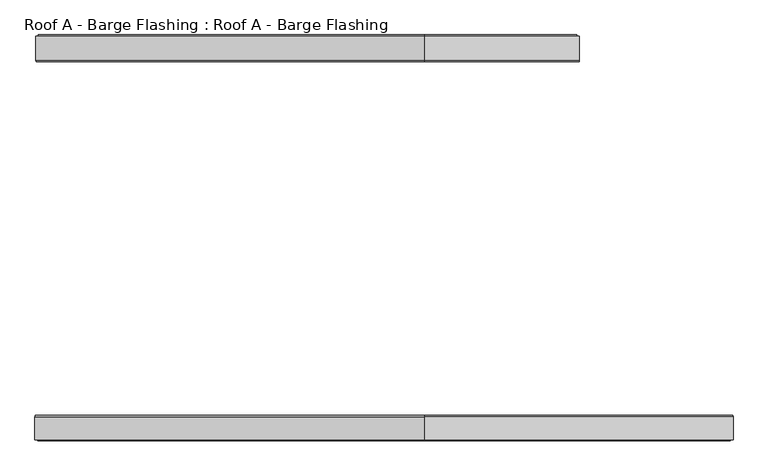
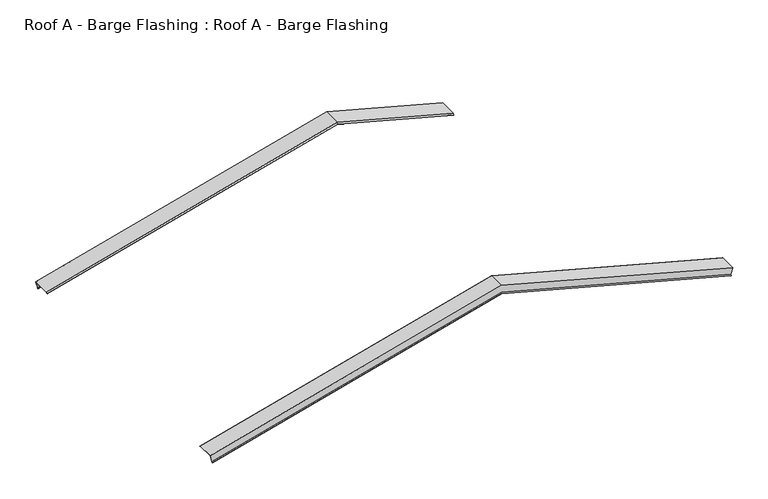
"""IFC4 building model written with IfcOpenShell, lengths in millimetres: proxy geometry, Roof A - Barge Flashing : Roof A - Barge Flashing."""

from ifc_helpers import new_model, si_unit, origin, place, context, project, spatial, faceted_brep, source, transform, mapped, element, save


def roof_a_barge_flashing_roof_a_barge_flashing_06b95c33(model_context):
    return source(origin(), model_context, "Body", "Brep", [
        faceted_brep([(5490.8450047, 4704.9120222, 5751.4040697), (5490.8450047, 5012.8954809, 5751.4040697), (5460.2618558, 5012.8954809, 5637.2662041), (5456.7088081, 5026.623403, 5624.0060497), (5454.1466302, 5016.7239081, 5614.4438718), (5453.9636175, 5017.4310148, 5613.7608591), (5456.7088081, 5028.0376166, 5624.0060497), (5460.3690621, 5013.8954809, 5637.6663037), (5491.1038237, 5013.8954809, 5752.3699956), (5491.1038237, 4704.4978087, 5752.3699956), (5486.0709744, 4685.0523722, 5733.5871463), (5485.8879617, 4685.7594789, 5732.9041336), (3500.0, 4685.7594789, 6265.0212092), (3500.0, 4704.9120222, 6284.849381), (3500.0, 4685.0523722, 6265.75326), (3500.0, 4704.4978087, 6285.8846572), (3500.0, 5013.8954809, 6285.8846572), (3500.0, 5013.8954809, 6162.9456108), (-1449.9094945, 5013.8954809, 4836.6213591), (-1480.6442561, 5013.8954809, 4951.325051), (3500.0, 5028.0376166, 6148.3045946), (3500.0, 5017.4310148, 6137.3238325), (3500.0, 5016.7239081, 6138.0558833), (3500.0, 5026.623403, 6148.3045946), (3500.0, 5012.8954809, 6162.5167853), (3500.0, 5012.8954809, 6284.849381), (-1480.385437, 5012.8954809, 4950.3591251), (-1449.8022881, 5012.8954809, 4836.2212595), (-1480.385437, 4704.9120222, 4950.3591251), (-1475.4283941, 4685.7594789, 4931.859189), (-1475.6114068, 4685.0523722, 4932.5422017), (-1480.6442561, 4704.4978087, 4951.325051), (-1446.2492404, 5028.0376166, 4822.9611051), (-1443.5040499, 5017.4310148, 4812.7159145), (-1443.6870626, 5016.7239081, 4813.3989272), (-1446.2492404, 5026.623403, 4822.9611051)], [[[0, 1, 2, 3, 4, 5, 6, 7, 8, 9, 10, 11]], [[0, 11, 12, 13]], [[11, 10, 14, 12]], [[10, 9, 15, 14]], [[9, 8, 16, 15]], [[8, 7, 17, 18, 19, 16]], [[7, 6, 20, 17]], [[6, 5, 21, 20]], [[5, 4, 22, 21]], [[4, 3, 23, 22]], [[3, 2, 24, 23]], [[2, 1, 25, 26, 27, 24]], [[1, 0, 13, 25]], [[28, 29, 30, 31, 19, 18, 32, 33, 34, 35, 27, 26]], [[12, 14, 30, 29]], [[15, 16, 19, 31]], [[17, 20, 32, 18]], [[20, 21, 33, 32]], [[21, 22, 34, 33]], [[22, 23, 35, 34]], [[23, 24, 27, 35]], [[25, 13, 28, 26]], [[13, 12, 29, 28]], [[14, 15, 31, 30]]]),
        faceted_brep([(7461.3336903, 122.3456317, 5223.4132177), (7456.3766473, 141.4981749, 5204.9132816), (7456.55966, 142.2052817, 5205.5962943), (7461.5925093, 122.7598452, 5224.3791436), (7461.5925093, -167.8878271, 5224.3791436), (7430.8577477, -167.8878271, 5109.6754517), (7427.1974937, -182.0299627, 5096.0151976), (7424.4523032, -171.423361, 5085.7700071), (7424.6353159, -170.7162542, 5086.4530198), (7427.1974937, -180.6157491, 5096.0151976), (7430.7505414, -166.8878271, 5109.2753521), (7461.3336903, -166.8878271, 5223.4132177), (3500.0, 122.3456317, 6284.849381), (3500.0, 141.4981749, 6265.0212092), (3500.0, 142.2052817, 6265.75326), (3500.0, 122.7598452, 6285.8846572), (3500.0, -167.8878271, 6285.8846572), (-1490.3035143, -167.8878271, 4948.7368605), (-1459.5687527, -167.8878271, 4834.0331687), (3500.0, -167.8878271, 6162.9456108), (3500.0, -182.0299627, 6148.3045946), (3500.0, -171.423361, 6137.3238325), (3500.0, -170.7162542, 6138.0558833), (3500.0, -180.6157491, 6148.3045946), (3500.0, -166.8878271, 6162.5167853), (-1459.4615464, -166.8878271, 4833.6330691), (-1490.0446953, -166.8878271, 4947.7709347), (3500.0, -166.8878271, 6284.849381), (-1490.0446953, 122.3456317, 4947.7709347), (-1455.9084987, -180.6157491, 4820.3729146), (-1453.3463209, -170.7162542, 4810.8107368), (-1453.1633082, -171.423361, 4810.1277241), (-1455.9084987, -182.0299627, 4820.3729146), (-1490.3035143, 122.7598452, 4948.7368605), (-1485.270665, 142.2052817, 4929.9540112), (-1485.0876523, 141.4981749, 4929.2709985)], [[[0, 1, 2, 3, 4, 5, 6, 7, 8, 9, 10, 11]], [[1, 0, 12, 13]], [[2, 1, 13, 14]], [[3, 2, 14, 15]], [[4, 3, 15, 16]], [[5, 4, 16, 17, 18, 19]], [[6, 5, 19, 20]], [[7, 6, 20, 21]], [[8, 7, 21, 22]], [[9, 8, 22, 23]], [[10, 9, 23, 24]], [[11, 10, 24, 25, 26, 27]], [[0, 11, 27, 12]], [[28, 26, 25, 29, 30, 31, 32, 18, 17, 33, 34, 35]], [[14, 13, 35, 34]], [[16, 15, 33, 17]], [[20, 19, 18, 32]], [[21, 20, 32, 31]], [[22, 21, 31, 30]], [[23, 22, 30, 29]], [[24, 23, 29, 25]], [[12, 27, 26, 28]], [[13, 12, 28, 35]], [[15, 14, 34, 33]]]),
    ])


if __name__ == "__main__":
    model = new_model("IFC4")
    model_context = context("Model", 3, world=origin())
    ifc_project = project(units=[si_unit("LENGTHUNIT", "METRE", prefix="MILLI")], contexts=[model_context])
    site = spatial("IfcSite", under=ifc_project)
    building = spatial("IfcBuilding", under=site)
    placement = place(None, origin())
    roof_a_barge_flashing_roof_a_barge_flashing_shape = roof_a_barge_flashing_roof_a_barge_flashing_06b95c33(model_context)
    element("IfcBuildingElementProxy", 1, Name="Roof A - Barge Flashing : Roof A - Barge Flashing", ObjectType="Roof A - Barge Flashing : Roof A - Barge Flashing", at=placement, inside=building, context=model_context, shape_type="MappedRepresentation", body=[
        mapped(roof_a_barge_flashing_roof_a_barge_flashing_shape, transform((0.0, 0.0, 0.0), x_axis=(1.0, 0.0, 0.0), y_axis=(0.0, 1.0, 0.0), z_axis=(0.0, 0.0, 1.0))),
    ])
    save(model, "model.ifc")
